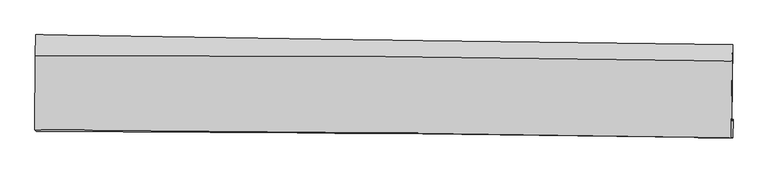
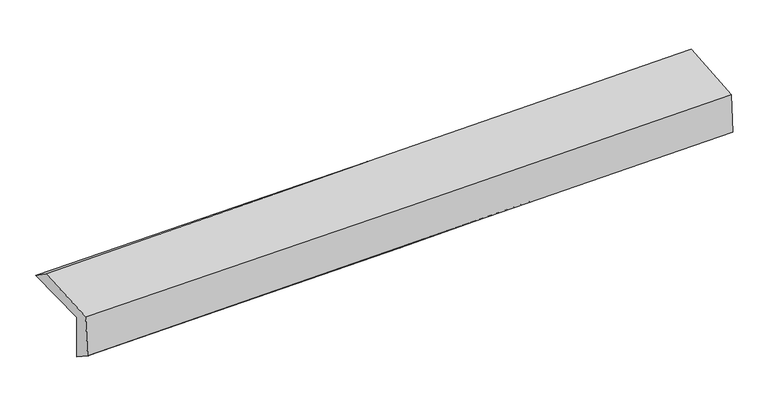
"""IFC4 building model written with IfcOpenShell, lengths in millimetres: proxy geometry."""

from ifc_helpers import new_model, si_unit, frame, origin, place, context, project, spatial, source, transform, mapped, element, save
from ifc_brep_helpers import plane_surface, spline_curve, spline_surface, advanced_brep


def generic_models_a83be898(model_context):
    return source(origin(), model_context, "Body", "AdvancedBrep", [
        advanced_brep(
        [(-3003.4663347, -1763.7019655, 1971.8941107), (-3000.8108223, -1093.8532785, 1978.5357895), (2988.8507542, -1176.5515016, 2133.1754145), (2982.4422579, -1841.8446323, 2128.7632433), (-2992.557036, -1744.4134456, 1565.736895), (2993.2827597, -1822.6777507, 1725.1673609), (-2996.5248932, -1926.4740362, 1685.6958344), (2988.801599, -1983.4670856, 1835.1997543), (-3006.7076558, -1912.656726, 2069.8513684), (2978.899313, -1981.8363946, 2210.9771892), (-3004.8103909, -1271.8000189, 2100.3367932), (2984.2171404, -1319.8442452, 2255.4853326)],
        [
            (0, 1),
            (1, 2, spline_curve(3, [(-3000.8108223, -1093.8532785, 1978.5357895), (-2002.445939783, -1110.581134678, 1990.792785317), (-1004.213777387, -1125.835617984, 2009.8044255), (992.340175846, -1153.402740583, 2061.346160137), (1990.661872273, -1165.714331912, 2093.881061724), (2988.8507542, -1176.5515016, 2133.1754145)], [4, 2, 4], [0.0, 9.82564778742342, 19.654791003587967])),
            (2, 3),
            (3, 0, spline_curve(3, [(2982.4422579, -1841.8446323, 2128.7632433), (1985.486139252, -1825.835056195, 2071.860302193), (988.093574483, -1811.317486525, 2030.336813871), (-1007.209600264, -1785.270992211, 1978.058039641), (-2005.119899509, -1773.741006051, 1967.291817234), (-3003.4663347, -1763.7019655, 1971.8941107)], [4, 2, 4], [0.0, 9.829143216164546, 19.654791003587967])),
            (4, 0),
            (3, 5),
            (5, 4, spline_curve(3, [(2993.2827597, -1822.6777507, 1725.1673609), (1996.095875956, -1807.076185675, 1676.855885268), (998.593684262, -1792.752445407, 1639.413845003), (-996.686471737, -1766.665252166, 1586.278085916), (-1994.464211965, -1754.900891268, 1570.576637184), (-2992.557036, -1744.4134456, 1565.736895)], [4, 2, 4], [0.0, 9.826361894923906, 19.649229350196983])),
            (6, 4),
            (5, 7),
            (7, 6, spline_curve(3, [(2988.801599, -1983.4670856, 1835.1997543), (1991.304402634, -1965.443111701, 1805.318708312), (993.689872869, -1951.681617465, 1777.917750583), (-1001.419041398, -1932.686965164, 1728.084873948), (-1998.913342232, -1927.45077643, 1705.651191898), (-2996.5248932, -1926.4740362, 1685.6958344)], [4, 2, 4], [0.0, 9.824769140945733, 19.646044408654])),
            (8, 6),
            (7, 9),
            (9, 8, spline_curve(3, [(2978.899313, -1981.8363946, 2210.9771892), (1981.409966089, -1965.844379376, 2179.675237674), (983.775978635, -1952.082770594, 2152.262377042), (-1011.426446934, -1929.024466919, 2105.223202255), (-2008.994782803, -1919.726186155, 2085.594122852), (-3006.7076558, -1912.656726, 2069.8513684)], [4, 2, 4], [0.0, 9.823984586128864, 19.644475578022753])),
            (10, 8),
            (9, 11),
            (11, 10, spline_curve(3, [(2984.2171404, -1319.8442452, 2255.4853326), (1985.934744623, -1303.474397644, 2226.274029731), (987.619155093, -1291.285819766, 2198.737331896), (-1008.723378634, -1275.274050984, 2147.022342952), (-2006.750299808, -1271.447886935, 2122.842860932), (-3004.8103909, -1271.8000189, 2100.3367932)], [4, 2, 4], [0.0, 9.827042966944234, 19.650591252035582])),
            (1, 10),
            (11, 2),
        ],
        [
            spline_surface(3, 3, [[(-3003.4663347, -1763.7019655, 1971.8941107), (-2005.119899643, -1773.741006085, 1967.291817108), (-1007.20960017, -1785.270992067, 1978.058039562), (988.093574388, -1811.317486669, 2030.33681395), (1985.486139122, -1825.835056317, 2071.860302315), (2982.4422579, -1841.8446323, 2128.7632433)], [(-3002.581163901, -1540.419069807, 1974.108003662), (-2004.228579664, -1552.687715598, 1975.125473188), (-1006.210992577, -1565.459200667, 1988.64016817), (989.509108224, -1592.012571353, 2040.67326274), (1987.211383559, -1605.794814843, 2079.200555498), (2984.578423343, -1620.080255396, 2130.233967025)], [(-3001.695993099, -1317.136174193, 1976.321896538), (-2003.337259682, -1331.634425189, 1982.959129182), (-1005.212385007, -1345.647409257, 1999.222296744), (990.924642037, -1372.707656025, 2051.009711495), (1988.936627966, -1385.75457338, 2086.540808705), (2986.714588757, -1398.315878504, 2131.704690775)], [(-3000.8108223, -1093.8532785, 1978.5357895), (-2002.445939703, -1110.581134702, 1990.792785263), (-1004.213777414, -1125.835617857, 2009.804425352), (992.340175873, -1153.402740709, 2061.346160284), (1990.661872402, -1165.714331906, 2093.881061888), (2988.8507542, -1176.5515016, 2133.1754145)]], [4, 4], [4, 2, 4], [0.0, 2.1634898018109503], [0.0, 9.82564778742342, 19.654791003587967]),
            spline_surface(3, 3, [[(-2992.557036, -1744.4134456, 1565.736895), (-1994.464212072, -1754.900891116, 1570.576637314), (-996.686471798, -1766.665252259, 1586.278085823), (998.593684323, -1792.752445314, 1639.413845097), (1996.095875945, -1807.076185811, 1676.855885184), (2993.2827597, -1822.6777507, 1725.1673609)], [(-2996.193468898, -1750.842952265, 1701.122633562), (-1998.016107927, -1761.180929471, 1702.815030574), (-1000.19418127, -1772.867165524, 1716.871403726), (995.093647664, -1798.940792429, 1769.721501371), (1992.559297, -1813.329142633, 1808.524024229), (2989.669259096, -1829.06671122, 1859.699321701)], [(-2999.829901802, -1757.272458835, 1836.508372138), (-2001.568003788, -1767.46096773, 1835.053423847), (-1003.701890698, -1779.069078802, 1847.464721659), (991.593611048, -1805.129139555, 1900.029157676), (1989.022718068, -1819.582099495, 1940.19216327), (2986.055758504, -1835.45567178, 1994.231282499)], [(-3003.4663347, -1763.7019655, 1971.8941107), (-2005.119899643, -1773.741006085, 1967.291817108), (-1007.20960017, -1785.270992067, 1978.058039562), (988.093574388, -1811.317486669, 2030.33681395), (1985.486139122, -1825.835056317, 2071.860302315), (2982.4422579, -1841.8446323, 2128.7632433)]], [4, 4], [4, 2, 4], [0.0, 1.285870600018151], [0.0, 9.822867455273077, 19.649229350196983]),
            spline_surface(3, 3, [[(-2996.5248932, -1926.4740362, 1685.6958344), (-1998.91334232, -1927.450776579, 1705.65119186), (-1001.419041343, -1932.6869653, 1728.084874093), (993.689872815, -1951.681617329, 1777.917750438), (1991.304402596, -1965.443111755, 1805.318708176), (2988.801599, -1983.4670856, 1835.1997543)], [(-2995.202274148, -1865.787172646, 1645.709521245), (-1997.430298919, -1869.934148071, 1660.626340323), (-999.841518142, -1877.346394287, 1680.81594466), (995.324476671, -1898.705226659, 1731.749781981), (1992.901560379, -1912.654136457, 1762.497767178), (2990.295319233, -1929.870640649, 1798.522289832)], [(-2993.879655052, -1805.100309154, 1605.723208155), (-1995.947255473, -1812.417519625, 1615.601488851), (-998.263995, -1822.005823272, 1633.547015256), (996.959080467, -1845.728835985, 1685.581813554), (1994.498718162, -1859.86516111, 1719.676826182), (2991.789039467, -1876.274195651, 1761.844825368)], [(-2992.557036, -1744.4134456, 1565.736895), (-1994.464212072, -1754.900891116, 1570.576637314), (-996.686471798, -1766.665252259, 1586.278085823), (998.593684323, -1792.752445314, 1639.413845097), (1996.095875945, -1807.076185811, 1676.855885184), (2993.2827597, -1822.6777507, 1725.1673609)]], [4, 4], [4, 2, 4], [0.0, 0.7041543946954845], [0.0, 9.821275267708266, 19.646044408654]),
            spline_surface(3, 3, [[(-3006.7076558, -1912.656726, 2069.8513684), (-2008.994782723, -1919.726186208, 2085.594122768), (-1011.426447045, -1929.024467027, 2105.223202305), (983.775978746, -1952.082770486, 2152.262376991), (1981.409965997, -1965.844379215, 2179.675237729), (2978.899313, -1981.8363946, 2210.9771892)], [(-3003.313401578, -1917.262496071, 1941.799523742), (-2005.634302566, -1922.30104967, 1958.94647914), (-1008.090645171, -1930.245299789, 1979.510426261), (987.080610075, -1951.949052771, 2027.480834834), (1984.708111538, -1965.7106234, 2054.889727888), (2982.200075008, -1982.379958272, 2085.718044243)], [(-2999.919147422, -1921.868266129, 1813.747679058), (-2002.273822477, -1924.875913118, 1832.298835488), (-1004.754843217, -1931.466132538, 1853.797650137), (990.385241485, -1951.815335044, 1902.699292596), (1988.006257055, -1965.57686757, 1930.104218017), (2985.500836992, -1982.923521928, 1960.458899257)], [(-2996.5248932, -1926.4740362, 1685.6958344), (-1998.91334232, -1927.450776579, 1705.65119186), (-1001.419041343, -1932.6869653, 1728.084874093), (993.689872815, -1951.681617329, 1777.917750438), (1991.304402596, -1965.443111755, 1805.318708176), (2988.801599, -1983.4670856, 1835.1997543)]], [4, 4], [4, 2, 4], [0.0, 1.2331906700480233], [0.0, 9.82049099189389, 19.644475578022753]),
            spline_surface(3, 3, [[(-3004.8103909, -1271.8000189, 2100.3367932), (-2006.750299895, -1271.4478868, 2122.842861076), (-1008.723378778, -1275.274050998, 2147.02234294), (987.619155237, -1291.285819752, 2198.737331908), (1985.934744599, -1303.474397649, 2226.274029848), (2984.2171404, -1319.8442452, 2255.4853326)], [(-3005.442812557, -1485.418921268, 2090.174984947), (-2007.498460861, -1487.540653271, 2110.426614987), (-1009.624401521, -1493.190856315, 2133.089296039), (986.33809642, -1511.551469971, 2183.245680246), (1984.426485066, -1524.264391496, 2210.741099153), (2982.444531268, -1540.508294992, 2240.649284811)], [(-3006.075234143, -1699.037823632, 2080.013176653), (-2008.246621757, -1703.633419737, 2098.010368857), (-1010.525424302, -1711.10766171, 2119.156249206), (985.057037564, -1731.817120267, 2167.754028653), (1982.91822553, -1745.054385368, 2195.208168424), (2980.671922132, -1761.172344808, 2225.813236989)], [(-3006.7076558, -1912.656726, 2069.8513684), (-2008.994782723, -1919.726186208, 2085.594122768), (-1011.426447045, -1929.024467027, 2105.223202305), (983.775978746, -1952.082770486, 2152.262376991), (1981.409965997, -1965.844379215, 2179.675237729), (2978.899313, -1981.8363946, 2210.9771892)]], [4, 4], [4, 2, 4], [0.0, 2.1612972234810592], [0.0, 9.823548285091348, 19.650591252035582]),
            spline_surface(3, 3, [[(-3000.8108223, -1093.8532785, 1978.5357895), (-2002.445939703, -1110.581134702, 1990.792785263), (-1004.213777414, -1125.835617857, 2009.804425352), (992.340175873, -1153.402740709, 2061.346160284), (1990.661872402, -1165.714331906, 2093.881061888), (2988.8507542, -1176.5515016, 2133.1754145)], [(-3002.144011818, -1153.168858642, 2019.136124042), (-2003.880726419, -1164.20338541, 2034.809477176), (-1005.716977867, -1175.648428925, 2055.54373122), (990.766502329, -1199.363767078, 2107.143217497), (1989.08616312, -1211.634353824, 2138.012051194), (2987.306216252, -1224.315749471, 2173.945387187)], [(-3003.477201382, -1212.484438758, 2059.736458658), (-2005.315513179, -1217.825636091, 2078.826169163), (-1007.220178325, -1225.46123993, 2101.283037073), (989.192828781, -1245.324793383, 2152.940274695), (1987.510453881, -1257.554375731, 2182.143040541), (2985.761678348, -1272.079997329, 2214.715359913)], [(-3004.8103909, -1271.8000189, 2100.3367932), (-2006.750299895, -1271.4478868, 2122.842861076), (-1008.723378778, -1275.274050998, 2147.02234294), (987.619155237, -1291.285819752, 2198.737331908), (1985.934744599, -1303.474397649, 2226.274029848), (2984.2171404, -1319.8442452, 2255.4853326)]], [4, 4], [4, 2, 4], [0.0, 0.6521503504946594], [0.0, 9.827258531860823, 19.658013065477654]),
            plane_surface(frame((2986.082304, -1687.7036017, 2048.1280491), z_axis=(0.9996038184311415, -0.009803748035150025, 0.026383568794705062), x_axis=(0.026342072950418884, -0.004337966163498229, -0.9996435751017656))),
            plane_surface(frame((-3000.8128555, -1618.8165784, 1895.3417985), z_axis=(-0.9996359077015953, 0.004227135865440332, -0.02664926558055085), x_axis=(-0.003964120644878635, -0.9999429913289422, -0.009914627559312784))),
        ],
        [
            (0, [[1, 2, 3, 4]]),
            (1, [[5, -4, 6, 7]]),
            (2, [[8, -7, 9, 10]]),
            (3, [[11, -10, 12, 13]]),
            (4, [[14, -13, 15, 16]]),
            (5, [[17, -16, 18, -2]]),
            (6, [[-12, -9, -6, -3, -18, -15]]),
            (7, [[-1, -5, -8, -11, -14, -17]]),
        ],
    ),
    ])


if __name__ == "__main__":
    model = new_model("IFC4")
    model_context = context("Model", 3, world=origin())
    ifc_project = project(units=[si_unit("LENGTHUNIT", "METRE", prefix="MILLI")], contexts=[model_context])
    site = spatial("IfcSite", under=ifc_project)
    building = spatial("IfcBuilding", under=site)
    placement = place(None, origin())
    generic_models_shape = generic_models_a83be898(model_context)
    element("IfcBuildingElementProxy", 1, Name="Generic Models", at=placement, inside=building, context=model_context, shape_type="MappedRepresentation", body=[
        mapped(generic_models_shape, transform((0.0, 0.0, 0.0), x_axis=(1.0, 0.0, 0.0), y_axis=(0.0, 1.0, 0.0), z_axis=(0.0, 0.0, 1.0))),
    ])
    save(model, "model.ifc")
